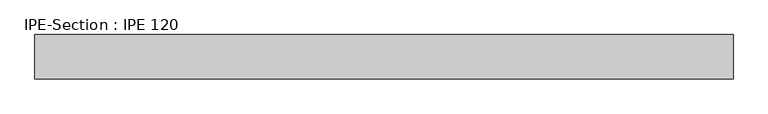
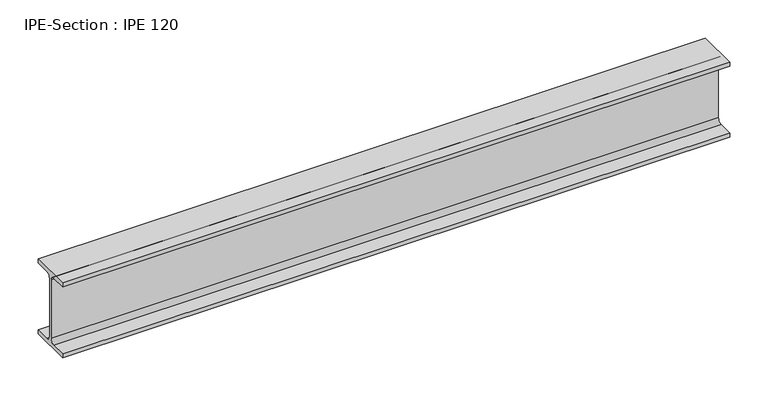
"""IFC4 building model written with IfcOpenShell, lengths in millimetres: beam geometry, IPE-Section : IPE 120."""

from ifc_helpers import new_model, si_unit, point, frame, frame_2d, origin, place, context, project, spatial, polyline, circle_curve, trimmed, segment, composite_curve, outline, extrude, source, transform, mapped, element, save


def ipe_section_ipe_120_88f4333d(model_context):
    return source(origin(), model_context, "Body", "SweptSolid", [
        extrude(outline(composite_curve([segment(polyline([(-32.0, -53.7), (-9.2, -53.7)]), True, "CONTINUOUS"), segment(trimmed(circle_curve(frame_2d((-9.2, -46.7)), 7.0), [point((-9.2, -53.7))], [point((-2.2, -46.7))], True, "CARTESIAN"), True, "CONTINUOUS"), segment(polyline([(-2.2, -46.7), (-2.2, 46.7)]), True, "CONTINUOUS"), segment(trimmed(circle_curve(frame_2d((-9.2, 46.7)), 7.0), [point((-2.2, 46.7))], [point((-9.2, 53.7))], True, "CARTESIAN"), True, "CONTINUOUS"), segment(polyline([(-9.2, 53.7), (-32.0, 53.7), (-32.0, 60.0), (32.0, 60.0), (32.0, 53.7), (9.2, 53.7)]), True, "CONTINUOUS"), segment(trimmed(circle_curve(frame_2d((9.2, 46.7)), 7.0), [point((9.2, 53.7))], [point((2.2, 46.7))], True, "CARTESIAN"), True, "CONTINUOUS"), segment(polyline([(2.2, 46.7), (2.2, -46.7)]), True, "CONTINUOUS"), segment(trimmed(circle_curve(frame_2d((9.2, -46.7)), 7.0), [point((2.2, -46.7))], [point((9.2, -53.7))], True, "CARTESIAN"), True, "CONTINUOUS"), segment(polyline([(9.2, -53.7), (32.0, -53.7), (32.0, -60.0), (-32.0, -60.0), (-32.0, -53.7)]), True, "CONTINUOUS")], self_intersect=False)), frame((-548.9215889, 0.0, 0.0), z_axis=(1.0, 0.0, 0.0), x_axis=(0.0, 1.0, 0.0)), (0.0, 0.0, 1.0), 1010.1431777),
    ])


if __name__ == "__main__":
    model = new_model("IFC4")
    model_context = context("Model", 3, world=origin())
    ifc_project = project(units=[si_unit("LENGTHUNIT", "METRE", prefix="MILLI")], contexts=[model_context])
    site = spatial("IfcSite", under=ifc_project)
    building = spatial("IfcBuilding", under=site)
    placement = place(None, origin())
    ipe_section_ipe_120_shape = ipe_section_ipe_120_88f4333d(model_context)
    element("IfcBeam", 1, ObjectType="IPE-Section : IPE 120", at=placement, inside=building, context=model_context, shape_type="MappedRepresentation", body=[
        mapped(ipe_section_ipe_120_shape, transform((0.0, 0.0, 0.0), x_axis=(1.0, 0.0, 0.0), y_axis=(0.0, 1.0, 0.0), z_axis=(0.0, 0.0, 1.0))),
    ])
    save(model, "model.ifc")
